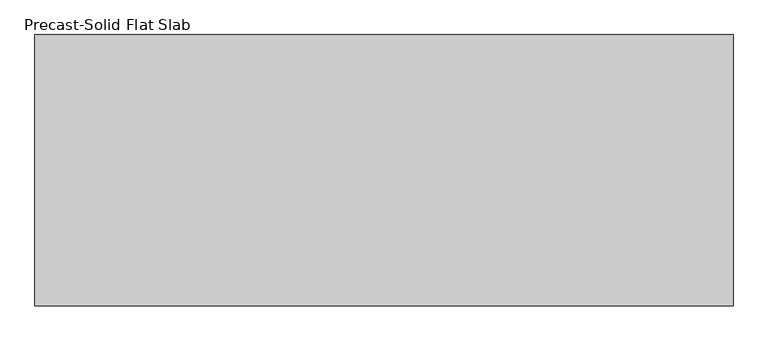
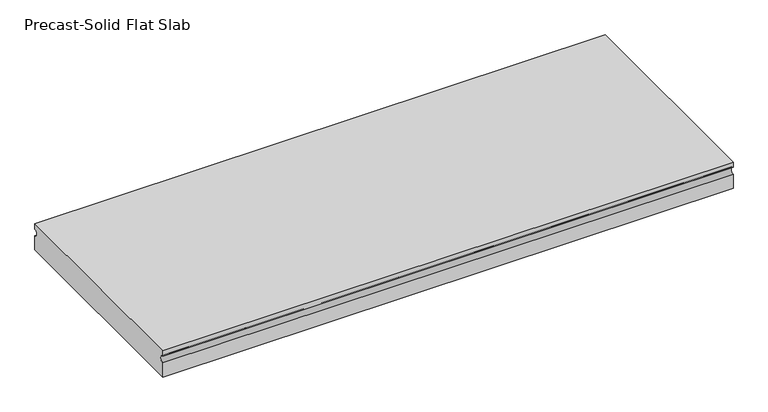
"""IFC4 building model written with IfcOpenShell, lengths in millimetres: beam geometry, Precast-Solid Flat Slab."""

from ifc_helpers import new_model, si_unit, point, frame, frame_2d, origin, place, context, project, spatial, polyline, circle_curve, trimmed, segment, composite_curve, outline, extrude, source, transform, mapped, element, save


def precast_solid_flat_slab_224a8fd0(model_context):
    return source(origin(), model_context, "Body", "SweptSolid", [
        extrude(outline(composite_curve([segment(polyline([(-304.8, 38.1), (304.8, 38.1), (304.8, 22.225)]), True, "CONTINUOUS"), segment(trimmed(circle_curve(frame_2d((304.8, 12.7)), 9.525), [point((304.8, 22.225))], [point((304.8, 3.175))], True, "CARTESIAN"), True, "CONTINUOUS"), segment(polyline([(304.8, 3.175), (304.8, -38.1), (-304.8, -38.1), (-304.8, 3.175)]), True, "CONTINUOUS"), segment(trimmed(circle_curve(frame_2d((-304.8, 12.7)), 9.525), [point((-304.8, 3.175))], [point((-304.8, 22.225))], True, "CARTESIAN"), True, "CONTINUOUS"), segment(polyline([(-304.8, 22.225), (-304.8, 38.1)]), True, "CONTINUOUS")], self_intersect=False)), frame((-743.0988281, 0.0, 0.0), z_axis=(1.0, 0.0, 0.0), x_axis=(0.0, 1.0, 0.0)), (0.0, 0.0, 1.0), 1568.5988275),
    ])


if __name__ == "__main__":
    model = new_model("IFC4")
    model_context = context("Model", 3, world=origin())
    ifc_project = project(units=[si_unit("LENGTHUNIT", "METRE", prefix="MILLI")], contexts=[model_context])
    site = spatial("IfcSite", under=ifc_project)
    building = spatial("IfcBuilding", under=site)
    placement = place(None, origin())
    precast_solid_flat_slab_shape = precast_solid_flat_slab_224a8fd0(model_context)
    element("IfcBeam", 1, ObjectType="Precast-Solid Flat Slab", at=placement, inside=building, context=model_context, shape_type="MappedRepresentation", body=[
        mapped(precast_solid_flat_slab_shape, transform((0.0, 0.0, 0.0), x_axis=(1.0, 0.0, 0.0), y_axis=(0.0, 1.0, 0.0), z_axis=(0.0, 0.0, 1.0))),
    ])
    save(model, "model.ifc")
